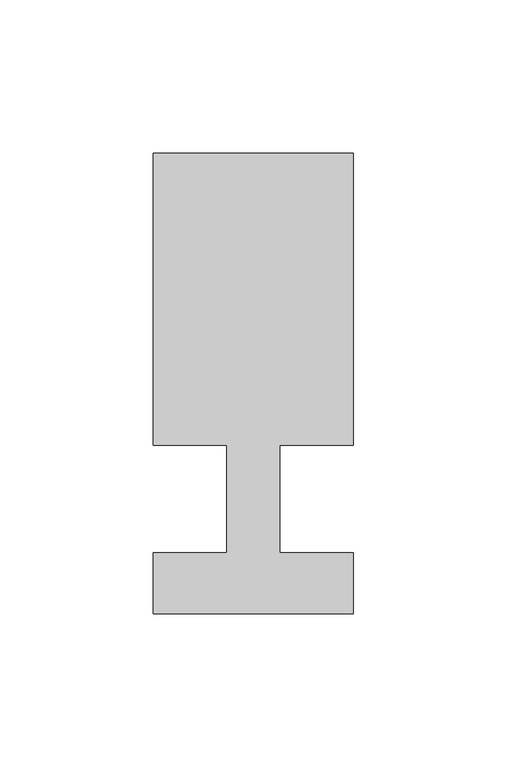
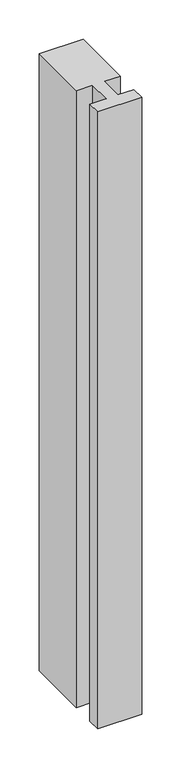
"""IFC4 building model written with IfcOpenShell, lengths in millimetres: member geometry."""

from ifc_helpers import new_model, si_unit, frame, origin, place, context, project, spatial, polyline, outline, extrude, source, transform, mapped, element, save


def member_aae06600(model_context):
    return source(origin(), model_context, "Body", "SweptSolid", [
        extrude(outline(polyline([(-65.0, -37.0), (-65.0, -17.0), (-41.1875, -17.0), (-41.1875, 18.0), (-65.0, 18.0), (-65.0, 113.0), (0.0, 113.0), (0.0, 18.0), (-23.8125, 18.0), (-23.8125, -17.0), (0.0, -17.0), (0.0, -37.0), (-65.0, -37.0)])), frame((0.0, 0.0, -962.9107143), z_axis=(0.0, 0.0, 1.0), x_axis=(1.0, 0.0, 0.0)), (0.0, 0.0, 1.0), 962.9107143),
    ])


if __name__ == "__main__":
    model = new_model("IFC4")
    model_context = context("Model", 3, world=origin())
    ifc_project = project(units=[si_unit("LENGTHUNIT", "METRE", prefix="MILLI")], contexts=[model_context])
    site = spatial("IfcSite", under=ifc_project)
    building = spatial("IfcBuilding", under=site)
    placement = place(None, origin())
    member_shape = member_aae06600(model_context)
    element("IfcMember", 1, at=placement, inside=building, context=model_context, shape_type="MappedRepresentation", body=[
        mapped(member_shape, transform((0.0, 0.0, 0.0), x_axis=(1.0, 0.0, 0.0), y_axis=(0.0, 1.0, 0.0), z_axis=(0.0, 0.0, 1.0))),
    ])
    save(model, "model.ifc")
